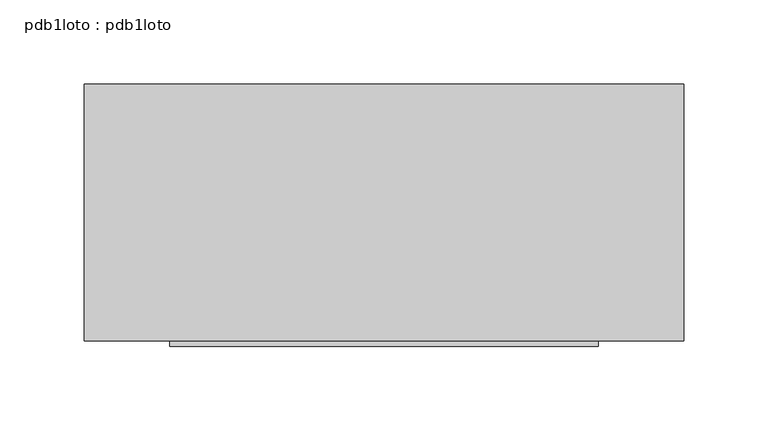
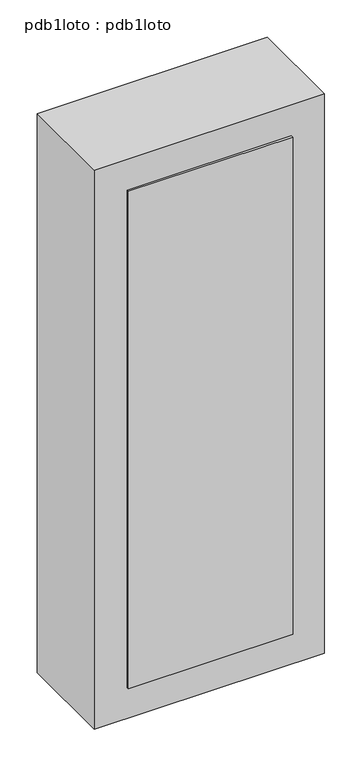
"""IFC4 building model written with IfcOpenShell, lengths in millimetres: proxy geometry, pdb1loto : pdb1loto."""

from ifc_helpers import new_model, si_unit, frame, origin, place, context, project, spatial, polyline, outline, extrude, source, transform, mapped, element, save


def pdb1loto_pdb1loto_16994026(model_context):
    return source(origin(), model_context, "Body", "SweptSolid", [
        extrude(outline(polyline([(50.8, -79.375), (-203.2, -79.375), (-203.2, -76.2), (50.8, -76.2), (50.8, -79.375)])), frame((0.0, 0.0, 1270.0), z_axis=(0.0, 0.0, 1.0), x_axis=(1.0, 0.0, 0.0)), (0.0, 0.0, 1.0), 812.8),
        extrude(outline(polyline([(101.6, 76.2), (101.6, -76.2), (-254.0, -76.2), (-254.0, 76.2), (101.6, 76.2)])), frame((0.0, 0.0, 1219.2), z_axis=(0.0, 0.0, 1.0), x_axis=(1.0, 0.0, 0.0)), (0.0, 0.0, 1.0), 914.4),
    ])


if __name__ == "__main__":
    model = new_model("IFC4")
    model_context = context("Model", 3, world=origin())
    ifc_project = project(units=[si_unit("LENGTHUNIT", "METRE", prefix="MILLI")], contexts=[model_context])
    site = spatial("IfcSite", under=ifc_project)
    building = spatial("IfcBuilding", under=site)
    placement = place(None, origin())
    pdb1loto_pdb1loto_shape = pdb1loto_pdb1loto_16994026(model_context)
    element("IfcBuildingElementProxy", 1, Name="pdb1loto : pdb1loto", ObjectType="pdb1loto : pdb1loto", at=placement, inside=building, context=model_context, shape_type="MappedRepresentation", body=[
        mapped(pdb1loto_pdb1loto_shape, transform((0.0, 0.0, 0.0), x_axis=(1.0, 0.0, 0.0), y_axis=(0.0, 1.0, 0.0), z_axis=(0.0, 0.0, 1.0))),
    ])
    save(model, "model.ifc")
